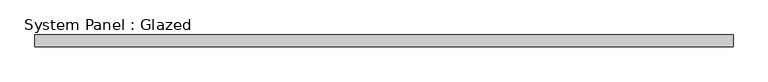
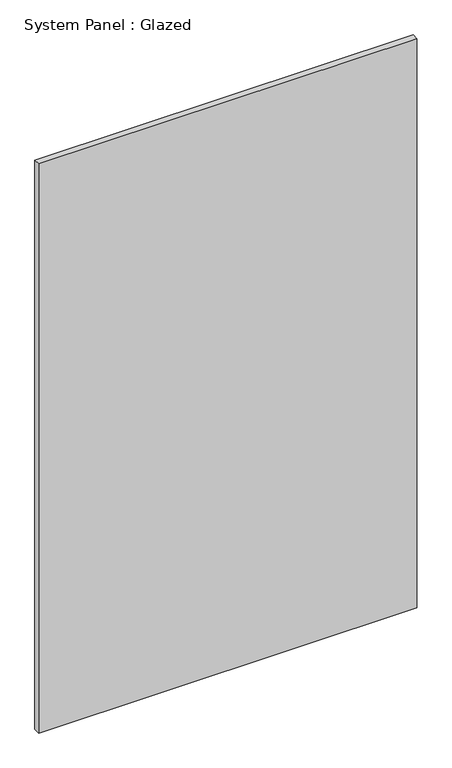
"""IFC4 building model written with IfcOpenShell, lengths in millimetres: plate geometry, System Panel : Glazed."""

from ifc_helpers import new_model, si_unit, origin, origin_with_axes, place, context, project, spatial, polyline, outline, extrude, source, transform, mapped, element, save


def system_panel_glazed_89620687(model_context):
    return source(origin(), model_context, "Body", "SweptSolid", [
        extrude(outline(polyline([(730.8192828, 24.5), (-730.8192828, 24.5), (-730.8192828, 49.5), (730.8192828, 49.5), (730.8192828, 24.5)])), origin_with_axes(), (0.0, 0.0, 1.0), 2325.0),
    ])


if __name__ == "__main__":
    model = new_model("IFC4")
    model_context = context("Model", 3, world=origin())
    ifc_project = project(units=[si_unit("LENGTHUNIT", "METRE", prefix="MILLI")], contexts=[model_context])
    site = spatial("IfcSite", under=ifc_project)
    building = spatial("IfcBuilding", under=site)
    placement = place(None, origin())
    system_panel_glazed_shape = system_panel_glazed_89620687(model_context)
    element("IfcPlate", 1, ObjectType="System Panel : Glazed", at=placement, inside=building, context=model_context, shape_type="MappedRepresentation", body=[
        mapped(system_panel_glazed_shape, transform((0.0, 0.0, 0.0), x_axis=(1.0, 0.0, 0.0), y_axis=(0.0, 1.0, 0.0), z_axis=(0.0, 0.0, 1.0))),
    ])
    save(model, "model.ifc")
